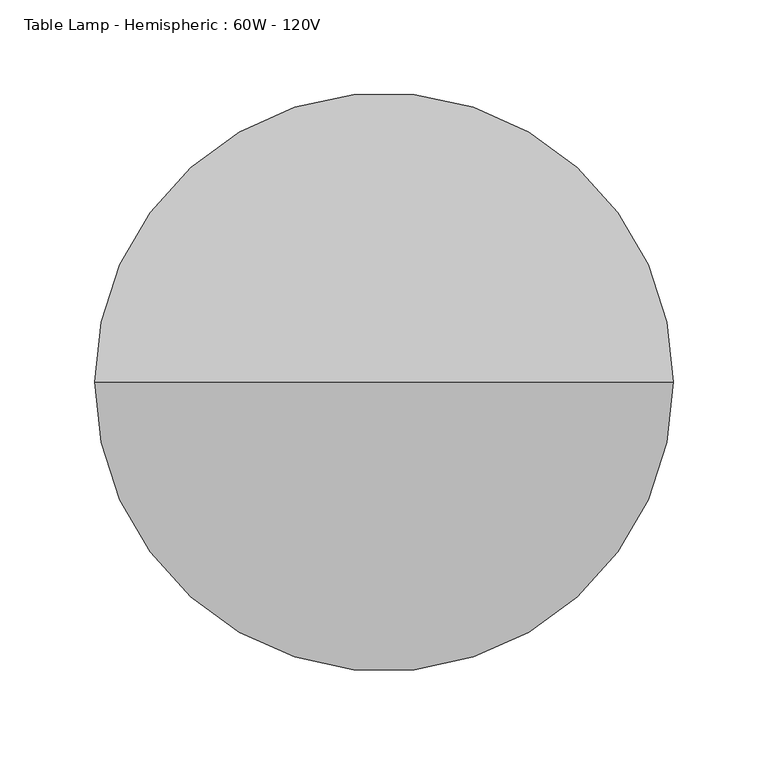
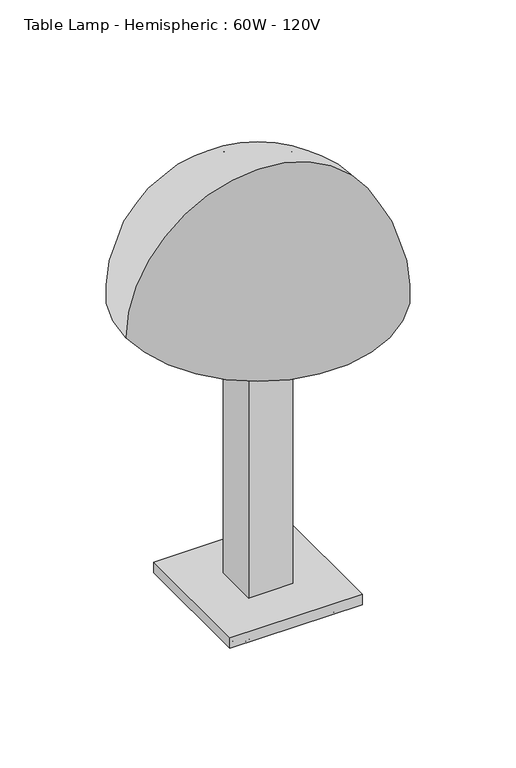
"""IFC4 building model written with IfcOpenShell, lengths in millimetres: light fixture geometry, Table Lamp - Hemispheric : 60W - 120V."""

from ifc_helpers import new_model, si_unit, point, frame, origin, origin_2d, place, context, project, spatial, polyline, circle_curve, ellipse_curve, trimmed, segment, composite_curve, outline, extrude, source, transform, mapped, element, save
from ifc_brep_helpers import plane_surface, revolved_surface, advanced_brep


def table_lamp_hemispheric_60w_120v_02721d88(model_context):
    return source(origin(), model_context, "Body", "SolidModel", [
        advanced_brep(
        [(0.0, 0.0, 524.5095504), (152.4, 0.0, 372.1095504), (-152.4, 0.0, 372.1095504), (-146.05, 0.0, 372.1095504), (146.05, 0.0, 372.1095504), (0.0, 0.0, 518.1595504)],
        [
            (0, 1, circle_curve(frame((0.0, 0.0, 372.1095504), z_axis=(0.0, 1.0, 0.0), x_axis=(1.0, 0.0, 0.0)), 152.4)),
            (1, 2, circle_curve(frame((0.0, 0.0, 372.1095504), z_axis=(0.0, 0.0, 1.0), x_axis=(1.0, 0.0, 0.0)), 152.4)),
            (2, 0, circle_curve(frame((0.0, 0.0, 372.1095504), z_axis=(0.0, 1.0, 0.0), x_axis=(-1.0, 0.0, 0.0)), 152.4)),
            (2, 1, circle_curve(frame((0.0, 0.0, 372.1095504), z_axis=(0.0, 0.0, 1.0), x_axis=(1.0, 0.0, 0.0)), 152.4)),
            (3, 4, circle_curve(frame((0.0, 0.0, 372.1095504), z_axis=(0.0, 0.0, -1.0), x_axis=(1.0, 0.0, 0.0)), 146.05)),
            (4, 5, circle_curve(frame((0.0, 0.0, 372.1095504), z_axis=(0.0, -1.0, 0.0), x_axis=(1.0, 0.0, 0.0)), 146.05)),
            (5, 3, circle_curve(frame((0.0, 0.0, 372.1095504), z_axis=(0.0, -1.0, 0.0), x_axis=(-1.0, 0.0, 0.0)), 146.05)),
            (4, 3, circle_curve(frame((0.0, 0.0, 372.1095504), z_axis=(0.0, 0.0, -1.0), x_axis=(1.0, 0.0, 0.0)), 146.05)),
            (1, 4),
            (3, 2),
        ],
        [
            revolved_surface(trimmed(ellipse_curve(frame((0.0, 0.0, 372.1095504), z_axis=(0.0, -1.0, 0.0), x_axis=(1.0, 0.0, 0.0)), 152.4, 152.4), [point((152.4, 0.0, 372.1095504))], [point((0.0, 0.0, 524.5095504))], True, "CARTESIAN"), (0.0, 0.0, 552.6321699), (0.0, 0.0, 1.0)),
            revolved_surface(trimmed(ellipse_curve(frame((0.0, 0.0, 372.1095504), z_axis=(0.0, 1.0, 0.0), x_axis=(1.0, 0.0, 0.0)), 146.05, 146.05), [point((0.0, 0.0, 518.1595504))], [point((146.05, 0.0, 372.1095504))], True, "CARTESIAN"), (0.0, 0.0, 552.6321699), (0.0, 0.0, 1.0)),
            plane_surface(frame((0.0, 0.0, 372.1095504), z_axis=(0.0, 0.0, -1.0), x_axis=(1.0, 0.0, 0.0))),
        ],
        [
            (0, [[1, 2, 3]]),
            (0, [[-3, 4, -1]]),
            (1, [[5, 6, 7]]),
            (1, [[8, -7, -6]]),
            (2, [[-2, 9, -5, 10]]),
            (2, [[-4, -10, -8, -9]]),
        ],
    ),
        extrude(outline(composite_curve([segment(trimmed(circle_curve(origin_2d(), 6.35), [point((-6.35, 0.0))], [point((6.35, 0.0))], False, "CARTESIAN"), True, "CONTINUOUS"), segment(trimmed(circle_curve(origin_2d(), 6.35), [point((6.35, 0.0))], [point((-6.35, 0.0))], False, "CARTESIAN"), True, "CONTINUOUS")], self_intersect=False)), frame((0.0, 0.0, 330.2), z_axis=(0.0, 0.0, 1.0), x_axis=(1.0, 0.0, 0.0)), (0.0, 0.0, 1.0), 63.5),
        extrude(outline(polyline([(25.4, -25.4), (-25.4, -25.4), (-25.4, 25.4), (25.4, 25.4), (25.4, -25.4)])), frame((0.0, 0.0, 25.4), z_axis=(0.0, 0.0, 1.0), x_axis=(1.0, 0.0, 0.0)), (0.0, 0.0, 1.0), 304.8),
        advanced_brep(
        [(-66.7336963, -50.8, 12.7), (-34.9836963, -50.8, 12.7), (-47.6836963, -50.8, 0.0), (-54.0336963, -50.8, 0.0), (-54.0336963, -50.8, 12.7), (-47.6836963, -50.8, 12.7)],
        [
            (0, 1, circle_curve(frame((-50.8586963, -50.8, 12.7), z_axis=(0.0, 0.0, -1.0), x_axis=(1.0, 0.0, 0.0)), 15.875)),
            (1, 2, circle_curve(frame((-47.6836963, -50.8, 12.7), z_axis=(0.0, 1.0, 0.0), x_axis=(1.0, 0.0, 0.0)), 12.7)),
            (2, 3, circle_curve(frame((-50.8586963, -50.8, 0.0), z_axis=(0.0, 0.0, 1.0), x_axis=(1.0, 0.0, 0.0)), 3.175)),
            (3, 0, circle_curve(frame((-54.0336963, -50.8, 12.7), z_axis=(0.0, 1.0, 0.0), x_axis=(-1.0, 0.0, 0.0)), 12.7)),
            (1, 0, circle_curve(frame((-50.8586963, -50.8, 12.7), z_axis=(0.0, 0.0, -1.0), x_axis=(1.0, 0.0, 0.0)), 15.875)),
            (3, 2, circle_curve(frame((-50.8586963, -50.8, 0.0), z_axis=(0.0, 0.0, 1.0), x_axis=(1.0, 0.0, 0.0)), 3.175)),
            (4, 5, circle_curve(frame((-50.8586963, -50.8, 12.7), z_axis=(0.0, 0.0, -1.0), x_axis=(1.0, 0.0, 0.0)), 3.175)),
            (5, 1),
            (0, 4),
            (5, 4, circle_curve(frame((-50.8586963, -50.8, 12.7), z_axis=(0.0, 0.0, -1.0), x_axis=(1.0, 0.0, 0.0)), 3.175)),
            (2, 5),
            (4, 3),
        ],
        [
            revolved_surface(trimmed(ellipse_curve(frame((-47.6836963, -50.8, 12.7), z_axis=(0.0, -1.0, 0.0), x_axis=(1.0, 0.0, 0.0)), 12.7, 12.7), [point((-47.6836963, -50.8, 0.0))], [point((-34.9836963, -50.8, 12.7))], True, "CARTESIAN"), (-50.8586963, -50.8, 36.0623287), (0.0, 0.0, 1.0)),
            plane_surface(frame((-50.8586963, -50.8, 12.7), z_axis=(0.0, 0.0, 1.0), x_axis=(1.0, 0.0, 0.0))),
            revolved_surface(polyline([(-47.6836963, -50.8, 12.7), (-47.6836963, -50.8, 0.0)]), (-50.8586963, -50.8, 36.0623287), (0.0, 0.0, 1.0)),
        ],
        [
            (0, [[1, 2, 3, 4]]),
            (0, [[5, -4, 6, -2]]),
            (1, [[7, 8, -1, 9]]),
            (1, [[10, -9, -5, -8]]),
            (2, [[-3, 11, -7, 12]]),
            (2, [[-6, -12, -10, -11]]),
        ],
    ),
        advanced_brep(
        [(-66.7581301, 50.8, 12.7), (-35.0081301, 50.8, 12.7), (-47.7081301, 50.8, 0.0), (-54.0581301, 50.8, 0.0), (-54.0581301, 50.8, 12.7), (-47.7081301, 50.8, 12.7)],
        [
            (0, 1, circle_curve(frame((-50.8831301, 50.8, 12.7), z_axis=(0.0, 0.0, -1.0), x_axis=(1.0, 0.0, 0.0)), 15.875)),
            (1, 2, circle_curve(frame((-47.7081301, 50.8, 12.7), z_axis=(0.0, 1.0, 0.0), x_axis=(1.0, 0.0, 0.0)), 12.7)),
            (2, 3, circle_curve(frame((-50.8831301, 50.8, 0.0), z_axis=(0.0, 0.0, 1.0), x_axis=(1.0, 0.0, 0.0)), 3.175)),
            (3, 0, circle_curve(frame((-54.0581301, 50.8, 12.7), z_axis=(0.0, 1.0, 0.0), x_axis=(-1.0, 0.0, 0.0)), 12.7)),
            (1, 0, circle_curve(frame((-50.8831301, 50.8, 12.7), z_axis=(0.0, 0.0, -1.0), x_axis=(1.0, 0.0, 0.0)), 15.875)),
            (3, 2, circle_curve(frame((-50.8831301, 50.8, 0.0), z_axis=(0.0, 0.0, 1.0), x_axis=(1.0, 0.0, 0.0)), 3.175)),
            (4, 5, circle_curve(frame((-50.8831301, 50.8, 12.7), z_axis=(0.0, 0.0, -1.0), x_axis=(1.0, 0.0, 0.0)), 3.175)),
            (5, 1),
            (0, 4),
            (5, 4, circle_curve(frame((-50.8831301, 50.8, 12.7), z_axis=(0.0, 0.0, -1.0), x_axis=(1.0, 0.0, 0.0)), 3.175)),
            (2, 5),
            (4, 3),
        ],
        [
            revolved_surface(trimmed(ellipse_curve(frame((-47.7081301, 50.8, 12.7), z_axis=(0.0, -1.0, 0.0), x_axis=(1.0, 0.0, 0.0)), 12.7, 12.7), [point((-47.7081301, 50.8, 0.0))], [point((-35.0081301, 50.8, 12.7))], True, "CARTESIAN"), (-50.8831301, 50.8, 36.0623287), (0.0, 0.0, 1.0)),
            plane_surface(frame((-50.8831301, 50.8, 12.7), z_axis=(0.0, 0.0, 1.0), x_axis=(1.0, 0.0, 0.0))),
            revolved_surface(polyline([(-47.708130100000005, 50.8, 12.7), (-47.708130100000005, 50.8, 0.0)]), (-50.8831301, 50.8, 36.0623287), (0.0, 0.0, 1.0)),
        ],
        [
            (0, [[1, 2, 3, 4]]),
            (0, [[5, -4, 6, -2]]),
            (1, [[7, 8, -1, 9]]),
            (1, [[10, -9, -5, -8]]),
            (2, [[-3, 11, -7, 12]]),
            (2, [[-6, -12, -10, -11]]),
        ],
    ),
        advanced_brep(
        [(34.9494337, -50.8, 12.7), (66.6994337, -50.8, 12.7), (53.9994337, -50.8, 0.0), (47.6494337, -50.8, 0.0), (47.6494337, -50.8, 12.7), (53.9994337, -50.8, 12.7)],
        [
            (0, 1, circle_curve(frame((50.8244337, -50.8, 12.7), z_axis=(0.0, 0.0, -1.0), x_axis=(1.0, 0.0, 0.0)), 15.875)),
            (1, 2, circle_curve(frame((53.9994337, -50.8, 12.7), z_axis=(0.0, 1.0, 0.0), x_axis=(1.0, 0.0, 0.0)), 12.7)),
            (2, 3, circle_curve(frame((50.8244337, -50.8, 0.0), z_axis=(0.0, 0.0, 1.0), x_axis=(1.0, 0.0, 0.0)), 3.175)),
            (3, 0, circle_curve(frame((47.6494337, -50.8, 12.7), z_axis=(0.0, 1.0, 0.0), x_axis=(-1.0, 0.0, 0.0)), 12.7)),
            (1, 0, circle_curve(frame((50.8244337, -50.8, 12.7), z_axis=(0.0, 0.0, -1.0), x_axis=(1.0, 0.0, 0.0)), 15.875)),
            (3, 2, circle_curve(frame((50.8244337, -50.8, 0.0), z_axis=(0.0, 0.0, 1.0), x_axis=(1.0, 0.0, 0.0)), 3.175)),
            (4, 5, circle_curve(frame((50.8244337, -50.8, 12.7), z_axis=(0.0, 0.0, -1.0), x_axis=(1.0, 0.0, 0.0)), 3.175)),
            (5, 1),
            (0, 4),
            (5, 4, circle_curve(frame((50.8244337, -50.8, 12.7), z_axis=(0.0, 0.0, -1.0), x_axis=(1.0, 0.0, 0.0)), 3.175)),
            (2, 5),
            (4, 3),
        ],
        [
            revolved_surface(trimmed(ellipse_curve(frame((53.9994337, -50.8, 12.7), z_axis=(0.0, -1.0, 0.0), x_axis=(1.0, 0.0, 0.0)), 12.7, 12.7), [point((53.9994337, -50.8, 0.0))], [point((66.6994337, -50.8, 12.7))], True, "CARTESIAN"), (50.8244337, -50.8, 36.0623287), (0.0, 0.0, 1.0)),
            plane_surface(frame((50.8244337, -50.8, 12.7), z_axis=(0.0, 0.0, 1.0), x_axis=(1.0, 0.0, 0.0))),
            revolved_surface(polyline([(53.9994337, -50.8, 12.7), (53.9994337, -50.8, 0.0)]), (50.8244337, -50.8, 36.0623287), (0.0, 0.0, 1.0)),
        ],
        [
            (0, [[1, 2, 3, 4]]),
            (0, [[5, -4, 6, -2]]),
            (1, [[7, 8, -1, 9]]),
            (1, [[10, -9, -5, -8]]),
            (2, [[-3, 11, -7, 12]]),
            (2, [[-6, -12, -10, -11]]),
        ],
    ),
        advanced_brep(
        [(34.925, 50.8, 12.7), (66.675, 50.8, 12.7), (53.975, 50.8, 0.0), (47.625, 50.8, 0.0), (47.625, 50.8, 12.7), (53.975, 50.8, 12.7)],
        [
            (0, 1, circle_curve(frame((50.8, 50.8, 12.7), z_axis=(0.0, 0.0, -1.0), x_axis=(1.0, 0.0, 0.0)), 15.875)),
            (1, 2, circle_curve(frame((53.975, 50.8, 12.7), z_axis=(0.0, 1.0, 0.0), x_axis=(1.0, 0.0, 0.0)), 12.7)),
            (2, 3, circle_curve(frame((50.8, 50.8, 0.0), z_axis=(0.0, 0.0, 1.0), x_axis=(1.0, 0.0, 0.0)), 3.175)),
            (3, 0, circle_curve(frame((47.625, 50.8, 12.7), z_axis=(0.0, 1.0, 0.0), x_axis=(-1.0, 0.0, 0.0)), 12.7)),
            (1, 0, circle_curve(frame((50.8, 50.8, 12.7), z_axis=(0.0, 0.0, -1.0), x_axis=(1.0, 0.0, 0.0)), 15.875)),
            (3, 2, circle_curve(frame((50.8, 50.8, 0.0), z_axis=(0.0, 0.0, 1.0), x_axis=(1.0, 0.0, 0.0)), 3.175)),
            (4, 5, circle_curve(frame((50.8, 50.8, 12.7), z_axis=(0.0, 0.0, -1.0), x_axis=(1.0, 0.0, 0.0)), 3.175)),
            (5, 1),
            (0, 4),
            (5, 4, circle_curve(frame((50.8, 50.8, 12.7), z_axis=(0.0, 0.0, -1.0), x_axis=(1.0, 0.0, 0.0)), 3.175)),
            (2, 5),
            (4, 3),
        ],
        [
            revolved_surface(trimmed(ellipse_curve(frame((53.975, 50.8, 12.7), z_axis=(0.0, -1.0, 0.0), x_axis=(1.0, 0.0, 0.0)), 12.7, 12.7), [point((53.975, 50.8, 0.0))], [point((66.675, 50.8, 12.7))], True, "CARTESIAN"), (50.8, 50.8, 36.0623287), (0.0, 0.0, 1.0)),
            plane_surface(frame((50.8, 50.8, 12.7), z_axis=(0.0, 0.0, 1.0), x_axis=(1.0, 0.0, 0.0))),
            revolved_surface(polyline([(53.974999999999994, 50.8, 12.7), (53.974999999999994, 50.8, 0.0)]), (50.8, 50.8, 36.0623287), (0.0, 0.0, 1.0)),
        ],
        [
            (0, [[1, 2, 3, 4]]),
            (0, [[5, -4, 6, -2]]),
            (1, [[7, 8, -1, 9]]),
            (1, [[10, -9, -5, -8]]),
            (2, [[-3, 11, -7, 12]]),
            (2, [[-6, -12, -10, -11]]),
        ],
    ),
        extrude(outline(polyline([(76.2, 76.2), (76.2, -76.2), (-76.2, -76.2), (-76.2, 76.2), (76.2, 76.2)])), frame((0.0, 0.0, 12.7), z_axis=(0.0, 0.0, 1.0), x_axis=(1.0, 0.0, 0.0)), (0.0, 0.0, 1.0), 12.7),
    ])


if __name__ == "__main__":
    model = new_model("IFC4")
    model_context = context("Model", 3, world=origin())
    ifc_project = project(units=[si_unit("LENGTHUNIT", "METRE", prefix="MILLI")], contexts=[model_context])
    site = spatial("IfcSite", under=ifc_project)
    building = spatial("IfcBuilding", under=site)
    placement = place(None, origin())
    table_lamp_hemispheric_60w_120v_shape = table_lamp_hemispheric_60w_120v_02721d88(model_context)
    element("IfcLightFixture", 1, ObjectType="Table Lamp - Hemispheric : 60W - 120V", at=placement, inside=building, context=model_context, shape_type="MappedRepresentation", body=[
        mapped(table_lamp_hemispheric_60w_120v_shape, transform((0.0, 0.0, 0.0), x_axis=(1.0, 0.0, 0.0), y_axis=(0.0, 1.0, 0.0), z_axis=(0.0, 0.0, 1.0))),
    ])
    save(model, "model.ifc")
